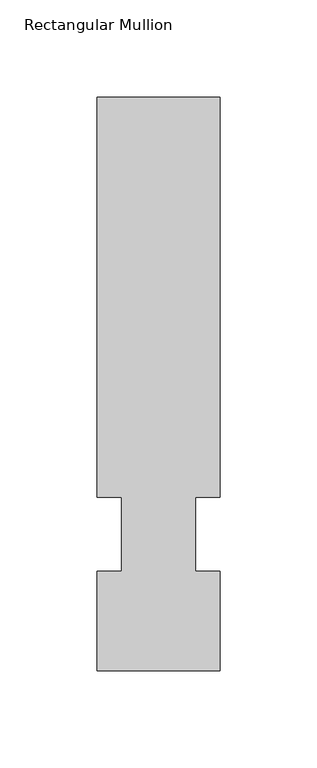
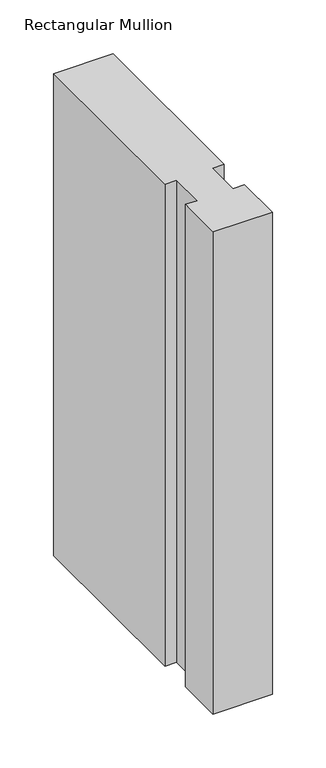
"""IFC4 building model written with IfcOpenShell, lengths in millimetres: member geometry, Rectangular Mullion."""

from ifc_helpers import new_model, si_unit, frame, origin, place, context, project, spatial, polyline, outline, extrude, source, transform, mapped, element, save


def rectangular_mullion_d2a106fd(model_context):
    return source(origin(), model_context, "Body", "SweptSolid", [
        extrude(outline(polyline([(-63.5, 295.9695313), (0.0, 295.9695313), (0.0, 89.5945312), (-12.6873, 89.5945313), (-12.6873, 51.4945313), (0.0, 51.4945313), (0.0, 0.2119312), (-63.5, 0.2119313), (-63.5, 51.4945313), (-50.8, 51.4945313), (-50.8, 89.5945312), (-63.5, 89.5945313), (-63.5, 295.9695313)])), frame((0.0, 0.0, -546.0999993), z_axis=(0.0, 0.0, 1.0), x_axis=(1.0, 0.0, 0.0)), (0.0, 0.0, 1.0), 546.0999993),
    ])


if __name__ == "__main__":
    model = new_model("IFC4")
    model_context = context("Model", 3, world=origin())
    ifc_project = project(units=[si_unit("LENGTHUNIT", "METRE", prefix="MILLI")], contexts=[model_context])
    site = spatial("IfcSite", under=ifc_project)
    building = spatial("IfcBuilding", under=site)
    placement = place(None, origin())
    rectangular_mullion_shape = rectangular_mullion_d2a106fd(model_context)
    element("IfcMember", 1, ObjectType="Rectangular Mullion", at=placement, inside=building, context=model_context, shape_type="MappedRepresentation", body=[
        mapped(rectangular_mullion_shape, transform((0.0, 0.0, 0.0), x_axis=(1.0, 0.0, 0.0), y_axis=(0.0, 1.0, 0.0), z_axis=(0.0, 0.0, 1.0))),
    ])
    save(model, "model.ifc")
